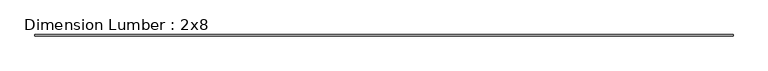
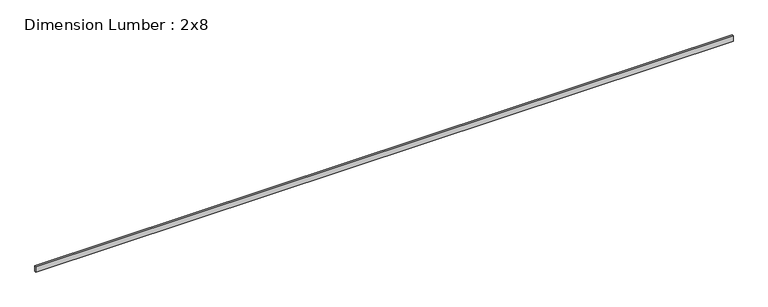
"""IFC4 building model written with IfcOpenShell, lengths in millimetres: beam geometry, Dimension Lumber : 2x8."""

from ifc_helpers import new_model, si_unit, frame, origin, place, context, project, spatial, polyline, outline, extrude, source, transform, mapped, element, save


def dimension_lumber_2x8_cca464cf(model_context):
    return source(origin(), model_context, "Body", "SweptSolid", [
        extrude(outline(polyline([(11045.4083818, 19.05), (11045.4083818, -19.05), (-11045.4083818, -19.05), (-11045.4083818, 19.05), (11045.4083818, 19.05)])), frame((0.0, 0.0, -92.075), z_axis=(0.0, 0.0, 1.0), x_axis=(1.0, 0.0, 0.0)), (0.0, 0.0, 1.0), 184.15),
    ])


if __name__ == "__main__":
    model = new_model("IFC4")
    model_context = context("Model", 3, world=origin())
    ifc_project = project(units=[si_unit("LENGTHUNIT", "METRE", prefix="MILLI")], contexts=[model_context])
    site = spatial("IfcSite", under=ifc_project)
    building = spatial("IfcBuilding", under=site)
    placement = place(None, origin())
    dimension_lumber_2x8_shape = dimension_lumber_2x8_cca464cf(model_context)
    element("IfcBeam", 1, ObjectType="Dimension Lumber : 2x8", at=placement, inside=building, context=model_context, shape_type="MappedRepresentation", body=[
        mapped(dimension_lumber_2x8_shape, transform((0.0, 0.0, 0.0), x_axis=(1.0, 0.0, 0.0), y_axis=(0.0, 1.0, 0.0), z_axis=(0.0, 0.0, 1.0))),
    ])
    save(model, "model.ifc")
